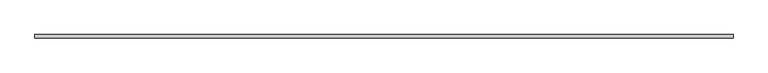
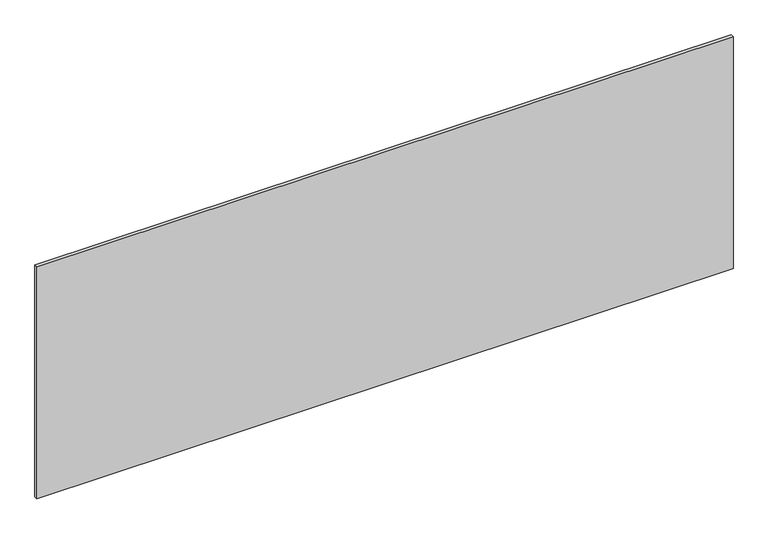
"""IFC4 building model written with IfcOpenShell, lengths in millimetres: plate geometry."""

from ifc_helpers import new_model, si_unit, origin, origin_with_axes, place, context, project, spatial, polyline, outline, extrude, source, transform, mapped, element, save


def plate_004fddca(model_context):
    return source(origin(), model_context, "Body", "SweptSolid", [
        extrude(outline(polyline([(1420.0, -25.25), (1420.0, -38.75), (-1420.0, -38.75), (-1420.0, -25.25), (1420.0, -25.25)])), origin_with_axes(), (0.0, 0.0, 1.0), 1000.0),
    ])


if __name__ == "__main__":
    model = new_model("IFC4")
    model_context = context("Model", 3, world=origin())
    ifc_project = project(units=[si_unit("LENGTHUNIT", "METRE", prefix="MILLI")], contexts=[model_context])
    site = spatial("IfcSite", under=ifc_project)
    building = spatial("IfcBuilding", under=site)
    placement = place(None, origin())
    plate_shape = plate_004fddca(model_context)
    element("IfcPlate", 1, at=placement, inside=building, context=model_context, shape_type="MappedRepresentation", body=[
        mapped(plate_shape, transform((0.0, 0.0, 0.0), x_axis=(1.0, 0.0, 0.0), y_axis=(0.0, 1.0, 0.0), z_axis=(0.0, 0.0, 1.0))),
    ])
    save(model, "model.ifc")
